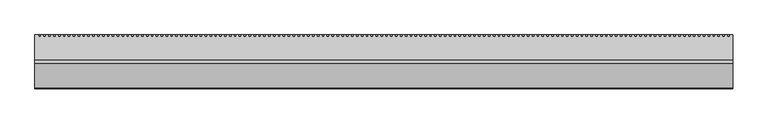
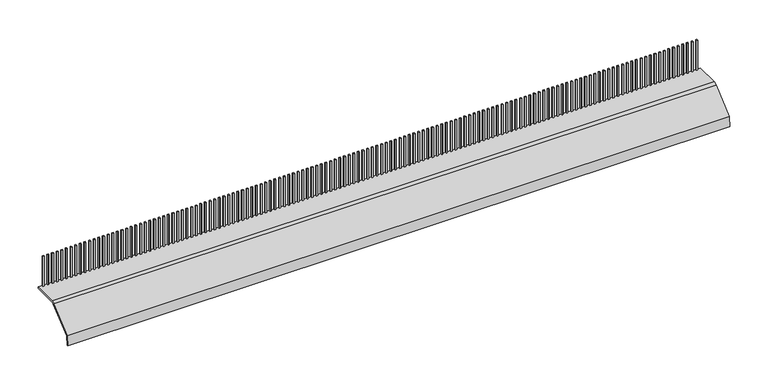
"""IFC4 building model written with IfcOpenShell, lengths in millimetres: proxy geometry."""

from ifc_helpers import new_model, si_unit, point, frame, frame_2d, origin, origin_with_axes, place, context, project, spatial, polyline, circle_curve, trimmed, segment, composite_curve, outline, extrude, source, transform, mapped, element, save


def generic_models_3704876e(model_context):
    return source(origin(), model_context, "Body", "SweptSolid", [
        extrude(outline(polyline([(6.0, 0.0), (8.0, 0.0), (8.0, -1.974326), (6.0, -1.974326), (6.0, 0.0)])), origin_with_axes(), (0.0, 0.0, 1.0), 50.0),
        extrude(outline(polyline([(13.0, 0.0), (15.0, 0.0), (15.0, -1.974326), (13.0, -1.974326), (13.0, 0.0)])), origin_with_axes(), (0.0, 0.0, 1.0), 50.0),
        extrude(outline(polyline([(20.0, 0.0), (22.0, 0.0), (22.0, -1.974326), (20.0, -1.974326), (20.0, 0.0)])), origin_with_axes(), (0.0, 0.0, 1.0), 50.0),
        extrude(outline(polyline([(27.0, 0.0), (29.0, 0.0), (29.0, -1.974326), (27.0, -1.974326), (27.0, 0.0)])), origin_with_axes(), (0.0, 0.0, 1.0), 50.0),
        extrude(outline(polyline([(34.0, 0.0), (36.0, 0.0), (36.0, -1.974326), (34.0, -1.974326), (34.0, 0.0)])), origin_with_axes(), (0.0, 0.0, 1.0), 50.0),
        extrude(outline(polyline([(41.0, 0.0), (43.0, 0.0), (43.0, -1.974326), (41.0, -1.974326), (41.0, 0.0)])), origin_with_axes(), (0.0, 0.0, 1.0), 50.0),
        extrude(outline(polyline([(48.0, 0.0), (50.0, 0.0), (50.0, -1.974326), (48.0, -1.974326), (48.0, 0.0)])), origin_with_axes(), (0.0, 0.0, 1.0), 50.0),
        extrude(outline(polyline([(55.0, 0.0), (57.0, 0.0), (57.0, -1.974326), (55.0, -1.974326), (55.0, 0.0)])), origin_with_axes(), (0.0, 0.0, 1.0), 50.0),
        extrude(outline(polyline([(62.0, 0.0), (64.0, 0.0), (64.0, -1.974326), (62.0, -1.974326), (62.0, 0.0)])), origin_with_axes(), (0.0, 0.0, 1.0), 50.0),
        extrude(outline(polyline([(69.0, 0.0), (71.0, 0.0), (71.0, -1.974326), (69.0, -1.974326), (69.0, 0.0)])), origin_with_axes(), (0.0, 0.0, 1.0), 50.0),
        extrude(outline(polyline([(76.0, 0.0), (78.0, 0.0), (78.0, -1.974326), (76.0, -1.974326), (76.0, 0.0)])), origin_with_axes(), (0.0, 0.0, 1.0), 50.0),
        extrude(outline(polyline([(83.0, 0.0), (85.0, 0.0), (85.0, -1.974326), (83.0, -1.974326), (83.0, 0.0)])), origin_with_axes(), (0.0, 0.0, 1.0), 50.0),
        extrude(outline(polyline([(90.0, 0.0), (92.0, 0.0), (92.0, -1.974326), (90.0, -1.974326), (90.0, 0.0)])), origin_with_axes(), (0.0, 0.0, 1.0), 50.0),
        extrude(outline(polyline([(97.0, 0.0), (99.0, 0.0), (99.0, -1.974326), (97.0, -1.974326), (97.0, 0.0)])), origin_with_axes(), (0.0, 0.0, 1.0), 50.0),
        extrude(outline(polyline([(104.0, 0.0), (106.0, 0.0), (106.0, -1.974326), (104.0, -1.974326), (104.0, 0.0)])), origin_with_axes(), (0.0, 0.0, 1.0), 50.0),
        extrude(outline(polyline([(111.0, 0.0), (113.0, 0.0), (113.0, -1.974326), (111.0, -1.974326), (111.0, 0.0)])), origin_with_axes(), (0.0, 0.0, 1.0), 50.0),
        extrude(outline(polyline([(118.0, 0.0), (120.0, 0.0), (120.0, -1.974326), (118.0, -1.974326), (118.0, 0.0)])), origin_with_axes(), (0.0, 0.0, 1.0), 50.0),
        extrude(outline(polyline([(125.0, 0.0), (127.0, 0.0), (127.0, -1.974326), (125.0, -1.974326), (125.0, 0.0)])), origin_with_axes(), (0.0, 0.0, 1.0), 50.0),
        extrude(outline(polyline([(132.0, 0.0), (134.0, 0.0), (134.0, -1.974326), (132.0, -1.974326), (132.0, 0.0)])), origin_with_axes(), (0.0, 0.0, 1.0), 50.0),
        extrude(outline(polyline([(139.0, 0.0), (141.0, 0.0), (141.0, -1.974326), (139.0, -1.974326), (139.0, 0.0)])), origin_with_axes(), (0.0, 0.0, 1.0), 50.0),
        extrude(outline(polyline([(146.0, 0.0), (148.0, 0.0), (148.0, -1.974326), (146.0, -1.974326), (146.0, 0.0)])), origin_with_axes(), (0.0, 0.0, 1.0), 50.0),
        extrude(outline(polyline([(153.0, 0.0), (155.0, 0.0), (155.0, -1.974326), (153.0, -1.974326), (153.0, 0.0)])), origin_with_axes(), (0.0, 0.0, 1.0), 50.0),
        extrude(outline(polyline([(160.0, 0.0), (162.0, 0.0), (162.0, -1.974326), (160.0, -1.974326), (160.0, 0.0)])), origin_with_axes(), (0.0, 0.0, 1.0), 50.0),
        extrude(outline(polyline([(167.0, 0.0), (169.0, 0.0), (169.0, -1.974326), (167.0, -1.974326), (167.0, 0.0)])), origin_with_axes(), (0.0, 0.0, 1.0), 50.0),
        extrude(outline(polyline([(174.0, 0.0), (176.0, 0.0), (176.0, -1.974326), (174.0, -1.974326), (174.0, 0.0)])), origin_with_axes(), (0.0, 0.0, 1.0), 50.0),
        extrude(outline(polyline([(181.0, 0.0), (183.0, 0.0), (183.0, -1.974326), (181.0, -1.974326), (181.0, 0.0)])), origin_with_axes(), (0.0, 0.0, 1.0), 50.0),
        extrude(outline(polyline([(188.0, 0.0), (190.0, 0.0), (190.0, -1.974326), (188.0, -1.974326), (188.0, 0.0)])), origin_with_axes(), (0.0, 0.0, 1.0), 50.0),
        extrude(outline(polyline([(195.0, 0.0), (197.0, 0.0), (197.0, -1.974326), (195.0, -1.974326), (195.0, 0.0)])), origin_with_axes(), (0.0, 0.0, 1.0), 50.0),
        extrude(outline(polyline([(202.0, 0.0), (204.0, 0.0), (204.0, -1.974326), (202.0, -1.974326), (202.0, 0.0)])), origin_with_axes(), (0.0, 0.0, 1.0), 50.0),
        extrude(outline(polyline([(209.0, 0.0), (211.0, 0.0), (211.0, -1.974326), (209.0, -1.974326), (209.0, 0.0)])), origin_with_axes(), (0.0, 0.0, 1.0), 50.0),
        extrude(outline(polyline([(216.0, 0.0), (218.0, 0.0), (218.0, -1.974326), (216.0, -1.974326), (216.0, 0.0)])), origin_with_axes(), (0.0, 0.0, 1.0), 50.0),
        extrude(outline(polyline([(223.0, 0.0), (225.0, 0.0), (225.0, -1.974326), (223.0, -1.974326), (223.0, 0.0)])), origin_with_axes(), (0.0, 0.0, 1.0), 50.0),
        extrude(outline(polyline([(230.0, 0.0), (232.0, 0.0), (232.0, -1.974326), (230.0, -1.974326), (230.0, 0.0)])), origin_with_axes(), (0.0, 0.0, 1.0), 50.0),
        extrude(outline(polyline([(237.0, 0.0), (239.0, 0.0), (239.0, -1.974326), (237.0, -1.974326), (237.0, 0.0)])), origin_with_axes(), (0.0, 0.0, 1.0), 50.0),
        extrude(outline(polyline([(244.0, 0.0), (246.0, 0.0), (246.0, -1.974326), (244.0, -1.974326), (244.0, 0.0)])), origin_with_axes(), (0.0, 0.0, 1.0), 50.0),
        extrude(outline(polyline([(251.0, 0.0), (253.0, 0.0), (253.0, -1.974326), (251.0, -1.974326), (251.0, 0.0)])), origin_with_axes(), (0.0, 0.0, 1.0), 50.0),
        extrude(outline(polyline([(258.0, 0.0), (260.0, 0.0), (260.0, -1.974326), (258.0, -1.974326), (258.0, 0.0)])), origin_with_axes(), (0.0, 0.0, 1.0), 50.0),
        extrude(outline(polyline([(265.0, 0.0), (267.0, 0.0), (267.0, -1.974326), (265.0, -1.974326), (265.0, 0.0)])), origin_with_axes(), (0.0, 0.0, 1.0), 50.0),
        extrude(outline(polyline([(272.0, 0.0), (274.0, 0.0), (274.0, -1.974326), (272.0, -1.974326), (272.0, 0.0)])), origin_with_axes(), (0.0, 0.0, 1.0), 50.0),
        extrude(outline(polyline([(279.0, 0.0), (281.0, 0.0), (281.0, -1.974326), (279.0, -1.974326), (279.0, 0.0)])), origin_with_axes(), (0.0, 0.0, 1.0), 50.0),
        extrude(outline(polyline([(286.0, 0.0), (288.0, 0.0), (288.0, -1.974326), (286.0, -1.974326), (286.0, 0.0)])), origin_with_axes(), (0.0, 0.0, 1.0), 50.0),
        extrude(outline(polyline([(293.0, 0.0), (295.0, 0.0), (295.0, -1.974326), (293.0, -1.974326), (293.0, 0.0)])), origin_with_axes(), (0.0, 0.0, 1.0), 50.0),
        extrude(outline(polyline([(300.0, 0.0), (302.0, 0.0), (302.0, -1.974326), (300.0, -1.974326), (300.0, 0.0)])), origin_with_axes(), (0.0, 0.0, 1.0), 50.0),
        extrude(outline(polyline([(307.0, 0.0), (309.0, 0.0), (309.0, -1.974326), (307.0, -1.974326), (307.0, 0.0)])), origin_with_axes(), (0.0, 0.0, 1.0), 50.0),
        extrude(outline(polyline([(314.0, 0.0), (316.0, 0.0), (316.0, -1.974326), (314.0, -1.974326), (314.0, 0.0)])), origin_with_axes(), (0.0, 0.0, 1.0), 50.0),
        extrude(outline(polyline([(321.0, 0.0), (323.0, 0.0), (323.0, -1.974326), (321.0, -1.974326), (321.0, 0.0)])), origin_with_axes(), (0.0, 0.0, 1.0), 50.0),
        extrude(outline(polyline([(328.0, 0.0), (330.0, 0.0), (330.0, -1.974326), (328.0, -1.974326), (328.0, 0.0)])), origin_with_axes(), (0.0, 0.0, 1.0), 50.0),
        extrude(outline(polyline([(335.0, 0.0), (337.0, 0.0), (337.0, -1.974326), (335.0, -1.974326), (335.0, 0.0)])), origin_with_axes(), (0.0, 0.0, 1.0), 50.0),
        extrude(outline(polyline([(342.0, 0.0), (344.0, 0.0), (344.0, -1.974326), (342.0, -1.974326), (342.0, 0.0)])), origin_with_axes(), (0.0, 0.0, 1.0), 50.0),
        extrude(outline(polyline([(349.0, 0.0), (351.0, 0.0), (351.0, -1.974326), (349.0, -1.974326), (349.0, 0.0)])), origin_with_axes(), (0.0, 0.0, 1.0), 50.0),
        extrude(outline(polyline([(356.0, 0.0), (358.0, 0.0), (358.0, -1.974326), (356.0, -1.974326), (356.0, 0.0)])), origin_with_axes(), (0.0, 0.0, 1.0), 50.0),
        extrude(outline(polyline([(363.0, 0.0), (365.0, 0.0), (365.0, -1.974326), (363.0, -1.974326), (363.0, 0.0)])), origin_with_axes(), (0.0, 0.0, 1.0), 50.0),
        extrude(outline(polyline([(370.0, 0.0), (372.0, 0.0), (372.0, -1.974326), (370.0, -1.974326), (370.0, 0.0)])), origin_with_axes(), (0.0, 0.0, 1.0), 50.0),
        extrude(outline(polyline([(377.0, 0.0), (379.0, 0.0), (379.0, -1.974326), (377.0, -1.974326), (377.0, 0.0)])), origin_with_axes(), (0.0, 0.0, 1.0), 50.0),
        extrude(outline(polyline([(384.0, 0.0), (386.0, 0.0), (386.0, -1.974326), (384.0, -1.974326), (384.0, 0.0)])), origin_with_axes(), (0.0, 0.0, 1.0), 50.0),
        extrude(outline(polyline([(391.0, 0.0), (393.0, 0.0), (393.0, -1.974326), (391.0, -1.974326), (391.0, 0.0)])), origin_with_axes(), (0.0, 0.0, 1.0), 50.0),
        extrude(outline(polyline([(398.0, 0.0), (400.0, 0.0), (400.0, -1.974326), (398.0, -1.974326), (398.0, 0.0)])), origin_with_axes(), (0.0, 0.0, 1.0), 50.0),
        extrude(outline(polyline([(405.0, 0.0), (407.0, 0.0), (407.0, -1.974326), (405.0, -1.974326), (405.0, 0.0)])), origin_with_axes(), (0.0, 0.0, 1.0), 50.0),
        extrude(outline(polyline([(412.0, 0.0), (414.0, 0.0), (414.0, -1.974326), (412.0, -1.974326), (412.0, 0.0)])), origin_with_axes(), (0.0, 0.0, 1.0), 50.0),
        extrude(outline(polyline([(419.0, 0.0), (421.0, 0.0), (421.0, -1.974326), (419.0, -1.974326), (419.0, 0.0)])), origin_with_axes(), (0.0, 0.0, 1.0), 50.0),
        extrude(outline(polyline([(426.0, 0.0), (428.0, 0.0), (428.0, -1.974326), (426.0, -1.974326), (426.0, 0.0)])), origin_with_axes(), (0.0, 0.0, 1.0), 50.0),
        extrude(outline(polyline([(433.0, 0.0), (435.0, 0.0), (435.0, -1.974326), (433.0, -1.974326), (433.0, 0.0)])), origin_with_axes(), (0.0, 0.0, 1.0), 50.0),
        extrude(outline(polyline([(440.0, 0.0), (442.0, 0.0), (442.0, -1.974326), (440.0, -1.974326), (440.0, 0.0)])), origin_with_axes(), (0.0, 0.0, 1.0), 50.0),
        extrude(outline(polyline([(447.0, 0.0), (449.0, 0.0), (449.0, -1.974326), (447.0, -1.974326), (447.0, 0.0)])), origin_with_axes(), (0.0, 0.0, 1.0), 50.0),
        extrude(outline(polyline([(454.0, 0.0), (456.0, 0.0), (456.0, -1.974326), (454.0, -1.974326), (454.0, 0.0)])), origin_with_axes(), (0.0, 0.0, 1.0), 50.0),
        extrude(outline(polyline([(461.0, 0.0), (463.0, 0.0), (463.0, -1.974326), (461.0, -1.974326), (461.0, 0.0)])), origin_with_axes(), (0.0, 0.0, 1.0), 50.0),
        extrude(outline(polyline([(468.0, 0.0), (470.0, 0.0), (470.0, -1.974326), (468.0, -1.974326), (468.0, 0.0)])), origin_with_axes(), (0.0, 0.0, 1.0), 50.0),
        extrude(outline(polyline([(475.0, 0.0), (477.0, 0.0), (477.0, -1.974326), (475.0, -1.974326), (475.0, 0.0)])), origin_with_axes(), (0.0, 0.0, 1.0), 50.0),
        extrude(outline(polyline([(482.0, 0.0), (484.0, 0.0), (484.0, -1.974326), (482.0, -1.974326), (482.0, 0.0)])), origin_with_axes(), (0.0, 0.0, 1.0), 50.0),
        extrude(outline(polyline([(489.0, 0.0), (491.0, 0.0), (491.0, -1.974326), (489.0, -1.974326), (489.0, 0.0)])), origin_with_axes(), (0.0, 0.0, 1.0), 50.0),
        extrude(outline(polyline([(496.0, 0.0), (498.0, 0.0), (498.0, -1.974326), (496.0, -1.974326), (496.0, 0.0)])), origin_with_axes(), (0.0, 0.0, 1.0), 50.0),
        extrude(outline(polyline([(503.0, 0.0), (505.0, 0.0), (505.0, -1.974326), (503.0, -1.974326), (503.0, 0.0)])), origin_with_axes(), (0.0, 0.0, 1.0), 50.0),
        extrude(outline(polyline([(510.0, 0.0), (512.0, 0.0), (512.0, -1.974326), (510.0, -1.974326), (510.0, 0.0)])), origin_with_axes(), (0.0, 0.0, 1.0), 50.0),
        extrude(outline(polyline([(517.0, 0.0), (519.0, 0.0), (519.0, -1.974326), (517.0, -1.974326), (517.0, 0.0)])), origin_with_axes(), (0.0, 0.0, 1.0), 50.0),
        extrude(outline(polyline([(524.0, 0.0), (526.0, 0.0), (526.0, -1.974326), (524.0, -1.974326), (524.0, 0.0)])), origin_with_axes(), (0.0, 0.0, 1.0), 50.0),
        extrude(outline(polyline([(531.0, 0.0), (533.0, 0.0), (533.0, -1.974326), (531.0, -1.974326), (531.0, 0.0)])), origin_with_axes(), (0.0, 0.0, 1.0), 50.0),
        extrude(outline(polyline([(538.0, 0.0), (540.0, 0.0), (540.0, -1.974326), (538.0, -1.974326), (538.0, 0.0)])), origin_with_axes(), (0.0, 0.0, 1.0), 50.0),
        extrude(outline(polyline([(545.0, 0.0), (547.0, 0.0), (547.0, -1.974326), (545.0, -1.974326), (545.0, 0.0)])), origin_with_axes(), (0.0, 0.0, 1.0), 50.0),
        extrude(outline(polyline([(552.0, 0.0), (554.0, 0.0), (554.0, -1.974326), (552.0, -1.974326), (552.0, 0.0)])), origin_with_axes(), (0.0, 0.0, 1.0), 50.0),
        extrude(outline(polyline([(559.0, 0.0), (561.0, 0.0), (561.0, -1.974326), (559.0, -1.974326), (559.0, 0.0)])), origin_with_axes(), (0.0, 0.0, 1.0), 50.0),
        extrude(outline(polyline([(566.0, 0.0), (568.0, 0.0), (568.0, -1.974326), (566.0, -1.974326), (566.0, 0.0)])), origin_with_axes(), (0.0, 0.0, 1.0), 50.0),
        extrude(outline(polyline([(573.0, 0.0), (575.0, 0.0), (575.0, -1.974326), (573.0, -1.974326), (573.0, 0.0)])), origin_with_axes(), (0.0, 0.0, 1.0), 50.0),
        extrude(outline(polyline([(580.0, 0.0), (582.0, 0.0), (582.0, -1.974326), (580.0, -1.974326), (580.0, 0.0)])), origin_with_axes(), (0.0, 0.0, 1.0), 50.0),
        extrude(outline(polyline([(587.0, 0.0), (589.0, 0.0), (589.0, -1.974326), (587.0, -1.974326), (587.0, 0.0)])), origin_with_axes(), (0.0, 0.0, 1.0), 50.0),
        extrude(outline(polyline([(594.0, 0.0), (596.0, 0.0), (596.0, -1.974326), (594.0, -1.974326), (594.0, 0.0)])), origin_with_axes(), (0.0, 0.0, 1.0), 50.0),
        extrude(outline(polyline([(601.0, 0.0), (603.0, 0.0), (603.0, -1.974326), (601.0, -1.974326), (601.0, 0.0)])), origin_with_axes(), (0.0, 0.0, 1.0), 50.0),
        extrude(outline(polyline([(608.0, 0.0), (610.0, 0.0), (610.0, -1.974326), (608.0, -1.974326), (608.0, 0.0)])), origin_with_axes(), (0.0, 0.0, 1.0), 50.0),
        extrude(outline(polyline([(615.0, 0.0), (617.0, 0.0), (617.0, -1.974326), (615.0, -1.974326), (615.0, 0.0)])), origin_with_axes(), (0.0, 0.0, 1.0), 50.0),
        extrude(outline(polyline([(622.0, 0.0), (624.0, 0.0), (624.0, -1.974326), (622.0, -1.974326), (622.0, 0.0)])), origin_with_axes(), (0.0, 0.0, 1.0), 50.0),
        extrude(outline(polyline([(629.0, 0.0), (631.0, 0.0), (631.0, -1.974326), (629.0, -1.974326), (629.0, 0.0)])), origin_with_axes(), (0.0, 0.0, 1.0), 50.0),
        extrude(outline(polyline([(636.0, 0.0), (638.0, 0.0), (638.0, -1.974326), (636.0, -1.974326), (636.0, 0.0)])), origin_with_axes(), (0.0, 0.0, 1.0), 50.0),
        extrude(outline(polyline([(643.0, 0.0), (645.0, 0.0), (645.0, -1.974326), (643.0, -1.974326), (643.0, 0.0)])), origin_with_axes(), (0.0, 0.0, 1.0), 50.0),
        extrude(outline(polyline([(650.0, 0.0), (652.0, 0.0), (652.0, -1.974326), (650.0, -1.974326), (650.0, 0.0)])), origin_with_axes(), (0.0, 0.0, 1.0), 50.0),
        extrude(outline(polyline([(657.0, 0.0), (659.0, 0.0), (659.0, -1.974326), (657.0, -1.974326), (657.0, 0.0)])), origin_with_axes(), (0.0, 0.0, 1.0), 50.0),
        extrude(outline(polyline([(664.0, 0.0), (666.0, 0.0), (666.0, -1.974326), (664.0, -1.974326), (664.0, 0.0)])), origin_with_axes(), (0.0, 0.0, 1.0), 50.0),
        extrude(outline(polyline([(671.0, 0.0), (673.0, 0.0), (673.0, -1.974326), (671.0, -1.974326), (671.0, 0.0)])), origin_with_axes(), (0.0, 0.0, 1.0), 50.0),
        extrude(outline(polyline([(678.0, 0.0), (680.0, 0.0), (680.0, -1.974326), (678.0, -1.974326), (678.0, 0.0)])), origin_with_axes(), (0.0, 0.0, 1.0), 50.0),
        extrude(outline(polyline([(685.0, 0.0), (687.0, 0.0), (687.0, -1.974326), (685.0, -1.974326), (685.0, 0.0)])), origin_with_axes(), (0.0, 0.0, 1.0), 50.0),
        extrude(outline(polyline([(692.0, 0.0), (694.0, 0.0), (694.0, -1.974326), (692.0, -1.974326), (692.0, 0.0)])), origin_with_axes(), (0.0, 0.0, 1.0), 50.0),
        extrude(outline(polyline([(699.0, 0.0), (701.0, 0.0), (701.0, -1.974326), (699.0, -1.974326), (699.0, 0.0)])), origin_with_axes(), (0.0, 0.0, 1.0), 50.0),
        extrude(outline(polyline([(706.0, 0.0), (708.0, 0.0), (708.0, -1.974326), (706.0, -1.974326), (706.0, 0.0)])), origin_with_axes(), (0.0, 0.0, 1.0), 50.0),
        extrude(outline(polyline([(713.0, 0.0), (715.0, 0.0), (715.0, -1.974326), (713.0, -1.974326), (713.0, 0.0)])), origin_with_axes(), (0.0, 0.0, 1.0), 50.0),
        extrude(outline(polyline([(720.0, 0.0), (722.0, 0.0), (722.0, -1.974326), (720.0, -1.974326), (720.0, 0.0)])), origin_with_axes(), (0.0, 0.0, 1.0), 50.0),
        extrude(outline(polyline([(727.0, 0.0), (729.0, 0.0), (729.0, -1.974326), (727.0, -1.974326), (727.0, 0.0)])), origin_with_axes(), (0.0, 0.0, 1.0), 50.0),
        extrude(outline(polyline([(734.0, 0.0), (736.0, 0.0), (736.0, -1.974326), (734.0, -1.974326), (734.0, 0.0)])), origin_with_axes(), (0.0, 0.0, 1.0), 50.0),
        extrude(outline(polyline([(741.0, 0.0), (743.0, 0.0), (743.0, -1.974326), (741.0, -1.974326), (741.0, 0.0)])), origin_with_axes(), (0.0, 0.0, 1.0), 50.0),
        extrude(outline(polyline([(748.0, 0.0), (750.0, 0.0), (750.0, -1.974326), (748.0, -1.974326), (748.0, 0.0)])), origin_with_axes(), (0.0, 0.0, 1.0), 50.0),
        extrude(outline(polyline([(755.0, 0.0), (757.0, 0.0), (757.0, -1.974326), (755.0, -1.974326), (755.0, 0.0)])), origin_with_axes(), (0.0, 0.0, 1.0), 50.0),
        extrude(outline(polyline([(762.0, 0.0), (764.0, 0.0), (764.0, -1.974326), (762.0, -1.974326), (762.0, 0.0)])), origin_with_axes(), (0.0, 0.0, 1.0), 50.0),
        extrude(outline(polyline([(769.0, 0.0), (771.0, 0.0), (771.0, -1.974326), (769.0, -1.974326), (769.0, 0.0)])), origin_with_axes(), (0.0, 0.0, 1.0), 50.0),
        extrude(outline(polyline([(776.0, 0.0), (778.0, 0.0), (778.0, -1.974326), (776.0, -1.974326), (776.0, 0.0)])), origin_with_axes(), (0.0, 0.0, 1.0), 50.0),
        extrude(outline(polyline([(783.0, 0.0), (785.0, 0.0), (785.0, -1.974326), (783.0, -1.974326), (783.0, 0.0)])), origin_with_axes(), (0.0, 0.0, 1.0), 50.0),
        extrude(outline(polyline([(790.0, 0.0), (792.0, 0.0), (792.0, -1.974326), (790.0, -1.974326), (790.0, 0.0)])), origin_with_axes(), (0.0, 0.0, 1.0), 50.0),
        extrude(outline(polyline([(797.0, 0.0), (799.0, 0.0), (799.0, -1.974326), (797.0, -1.974326), (797.0, 0.0)])), origin_with_axes(), (0.0, 0.0, 1.0), 50.0),
        extrude(outline(polyline([(804.0, 0.0), (806.0, 0.0), (806.0, -1.974326), (804.0, -1.974326), (804.0, 0.0)])), origin_with_axes(), (0.0, 0.0, 1.0), 50.0),
        extrude(outline(polyline([(811.0, 0.0), (813.0, 0.0), (813.0, -1.974326), (811.0, -1.974326), (811.0, 0.0)])), origin_with_axes(), (0.0, 0.0, 1.0), 50.0),
        extrude(outline(polyline([(818.0, 0.0), (820.0, 0.0), (820.0, -1.974326), (818.0, -1.974326), (818.0, 0.0)])), origin_with_axes(), (0.0, 0.0, 1.0), 50.0),
        extrude(outline(polyline([(825.0, 0.0), (827.0, 0.0), (827.0, -1.974326), (825.0, -1.974326), (825.0, 0.0)])), origin_with_axes(), (0.0, 0.0, 1.0), 50.0),
        extrude(outline(polyline([(832.0, 0.0), (834.0, 0.0), (834.0, -1.974326), (832.0, -1.974326), (832.0, 0.0)])), origin_with_axes(), (0.0, 0.0, 1.0), 50.0),
        extrude(outline(polyline([(839.0, 0.0), (841.0, 0.0), (841.0, -1.974326), (839.0, -1.974326), (839.0, 0.0)])), origin_with_axes(), (0.0, 0.0, 1.0), 50.0),
        extrude(outline(polyline([(846.0, 0.0), (848.0, 0.0), (848.0, -1.974326), (846.0, -1.974326), (846.0, 0.0)])), origin_with_axes(), (0.0, 0.0, 1.0), 50.0),
        extrude(outline(polyline([(853.0, 0.0), (855.0, 0.0), (855.0, -1.974326), (853.0, -1.974326), (853.0, 0.0)])), origin_with_axes(), (0.0, 0.0, 1.0), 50.0),
        extrude(outline(polyline([(860.0, 0.0), (862.0, 0.0), (862.0, -1.974326), (860.0, -1.974326), (860.0, 0.0)])), origin_with_axes(), (0.0, 0.0, 1.0), 50.0),
        extrude(outline(polyline([(867.0, 0.0), (869.0, 0.0), (869.0, -1.974326), (867.0, -1.974326), (867.0, 0.0)])), origin_with_axes(), (0.0, 0.0, 1.0), 50.0),
        extrude(outline(polyline([(874.0, 0.0), (876.0, 0.0), (876.0, -1.974326), (874.0, -1.974326), (874.0, 0.0)])), origin_with_axes(), (0.0, 0.0, 1.0), 50.0),
        extrude(outline(polyline([(881.0, 0.0), (883.0, 0.0), (883.0, -1.974326), (881.0, -1.974326), (881.0, 0.0)])), origin_with_axes(), (0.0, 0.0, 1.0), 50.0),
        extrude(outline(polyline([(888.0, 0.0), (890.0, 0.0), (890.0, -1.974326), (888.0, -1.974326), (888.0, 0.0)])), origin_with_axes(), (0.0, 0.0, 1.0), 50.0),
        extrude(outline(polyline([(895.0, 0.0), (897.0, 0.0), (897.0, -1.974326), (895.0, -1.974326), (895.0, 0.0)])), origin_with_axes(), (0.0, 0.0, 1.0), 50.0),
        extrude(outline(polyline([(902.0, 0.0), (904.0, 0.0), (904.0, -1.974326), (902.0, -1.974326), (902.0, 0.0)])), origin_with_axes(), (0.0, 0.0, 1.0), 50.0),
        extrude(outline(polyline([(909.0, 0.0), (911.0, 0.0), (911.0, -1.974326), (909.0, -1.974326), (909.0, 0.0)])), origin_with_axes(), (0.0, 0.0, 1.0), 50.0),
        extrude(outline(polyline([(916.0, 0.0), (918.0, 0.0), (918.0, -1.974326), (916.0, -1.974326), (916.0, 0.0)])), origin_with_axes(), (0.0, 0.0, 1.0), 50.0),
        extrude(outline(polyline([(923.0, 0.0), (925.0, 0.0), (925.0, -1.974326), (923.0, -1.974326), (923.0, 0.0)])), origin_with_axes(), (0.0, 0.0, 1.0), 50.0),
        extrude(outline(polyline([(930.0, 0.0), (932.0, 0.0), (932.0, -1.974326), (930.0, -1.974326), (930.0, 0.0)])), origin_with_axes(), (0.0, 0.0, 1.0), 50.0),
        extrude(outline(polyline([(937.0, 0.0), (939.0, 0.0), (939.0, -1.974326), (937.0, -1.974326), (937.0, 0.0)])), origin_with_axes(), (0.0, 0.0, 1.0), 50.0),
        extrude(outline(polyline([(944.0, 0.0), (946.0, 0.0), (946.0, -1.974326), (944.0, -1.974326), (944.0, 0.0)])), origin_with_axes(), (0.0, 0.0, 1.0), 50.0),
        extrude(outline(polyline([(951.0, 0.0), (953.0, 0.0), (953.0, -1.974326), (951.0, -1.974326), (951.0, 0.0)])), origin_with_axes(), (0.0, 0.0, 1.0), 50.0),
        extrude(outline(polyline([(958.0, 0.0), (960.0, 0.0), (960.0, -1.974326), (958.0, -1.974326), (958.0, 0.0)])), origin_with_axes(), (0.0, 0.0, 1.0), 50.0),
        extrude(outline(polyline([(965.0, 0.0), (967.0, 0.0), (967.0, -1.974326), (965.0, -1.974326), (965.0, 0.0)])), origin_with_axes(), (0.0, 0.0, 1.0), 50.0),
        extrude(outline(polyline([(972.0, 0.0), (974.0, 0.0), (974.0, -1.974326), (972.0, -1.974326), (972.0, 0.0)])), origin_with_axes(), (0.0, 0.0, 1.0), 50.0),
        extrude(outline(polyline([(979.0, 0.0), (981.0, 0.0), (981.0, -1.974326), (979.0, -1.974326), (979.0, 0.0)])), origin_with_axes(), (0.0, 0.0, 1.0), 50.0),
        extrude(outline(polyline([(986.0, 0.0), (988.0, 0.0), (988.0, -1.974326), (986.0, -1.974326), (986.0, 0.0)])), origin_with_axes(), (0.0, 0.0, 1.0), 50.0),
        extrude(outline(polyline([(993.0, 0.0), (995.0, 0.0), (995.0, -1.974326), (993.0, -1.974326), (993.0, 0.0)])), origin_with_axes(), (0.0, 0.0, 1.0), 50.0),
        extrude(outline(composite_curve([segment(polyline([(-0.0202143, 0.0), (-36.7948542, 0.0)]), True, "CONTINUOUS"), segment(trimmed(circle_curve(frame_2d((-36.7948542, -4.3094439)), 4.3094439), [point((-36.7948542, 0.0))], [point((-39.9231201, -1.3454501))], True, "CARTESIAN"), True, "CONTINUOUS"), segment(polyline([(-39.9231201, -1.3454501), (-73.9818146, -31.1246327), (-75.3995742, -44.9544216), (-77.151652, -44.6844563), (-75.4990888, -29.9504661), (-41.1623287, 0.0718429)]), True, "CONTINUOUS"), segment(trimmed(circle_curve(frame_2d((-36.1014844, -4.8615196)), 7.0675463), [point((-41.1623287, 0.0718429))], [point((-36.1108419, 2.2060205))], False, "CARTESIAN"), True, "CONTINUOUS"), segment(polyline([(-36.1108419, 2.2060205), (0.012121, 2.2538477), (-0.0202143, 0.0)]), True, "CONTINUOUS")], self_intersect=False)), frame((0.0, 0.0, 0.0), z_axis=(1.0, 0.0, 0.0), x_axis=(0.0, 1.0, 0.0)), (0.0, 0.0, 1.0), 1000.0),
    ])


if __name__ == "__main__":
    model = new_model("IFC4")
    model_context = context("Model", 3, world=origin())
    ifc_project = project(units=[si_unit("LENGTHUNIT", "METRE", prefix="MILLI")], contexts=[model_context])
    site = spatial("IfcSite", under=ifc_project)
    building = spatial("IfcBuilding", under=site)
    placement = place(None, origin())
    generic_models_shape = generic_models_3704876e(model_context)
    element("IfcBuildingElementProxy", 1, Name="Generic Models", at=placement, inside=building, context=model_context, shape_type="MappedRepresentation", body=[
        mapped(generic_models_shape, transform((0.0, 0.0, 0.0), x_axis=(1.0, 0.0, 0.0), y_axis=(0.0, 1.0, 0.0), z_axis=(0.0, 0.0, 1.0))),
    ])
    save(model, "model.ifc")
